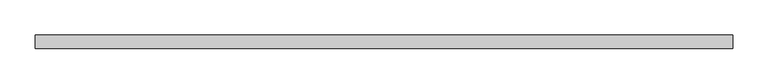
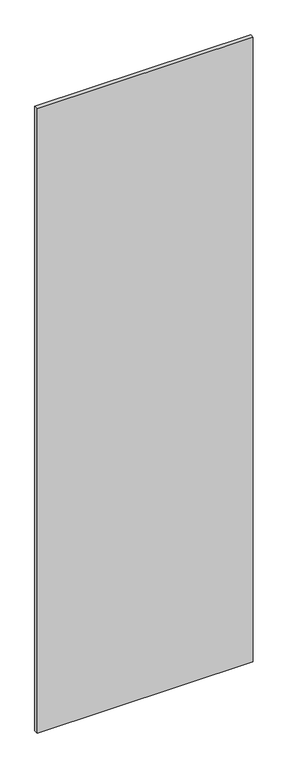
"""IFC4 building model written with IfcOpenShell, lengths in millimetres: proxy geometry."""

from ifc_helpers import new_model, si_unit, frame, origin, place, context, project, spatial, polyline, outline, extrude, source, transform, mapped, element, save


def specialty_equipment_5aca1f36(model_context):
    return source(origin(), model_context, "Body", "SweptSolid", [
        extrude(outline(polyline([(493.4204, 9.525), (493.4204, -9.525), (-493.4204, -9.525), (-493.4204, 9.525), (493.4204, 9.525)])), frame((0.0, 0.0, 3.175), z_axis=(0.0, 0.0, 1.0), x_axis=(1.0, 0.0, 0.0)), (0.0, 0.0, 1.0), 3013.075),
    ])


if __name__ == "__main__":
    model = new_model("IFC4")
    model_context = context("Model", 3, world=origin())
    ifc_project = project(units=[si_unit("LENGTHUNIT", "METRE", prefix="MILLI")], contexts=[model_context])
    site = spatial("IfcSite", under=ifc_project)
    building = spatial("IfcBuilding", under=site)
    placement = place(None, origin())
    specialty_equipment_shape = specialty_equipment_5aca1f36(model_context)
    element("IfcBuildingElementProxy", 1, Name="Specialty Equipment", at=placement, inside=building, context=model_context, shape_type="MappedRepresentation", body=[
        mapped(specialty_equipment_shape, transform((0.0, 0.0, 0.0), x_axis=(1.0, 0.0, 0.0), y_axis=(0.0, 1.0, 0.0), z_axis=(0.0, 0.0, 1.0))),
    ])
    save(model, "model.ifc")
